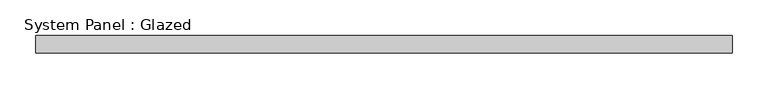
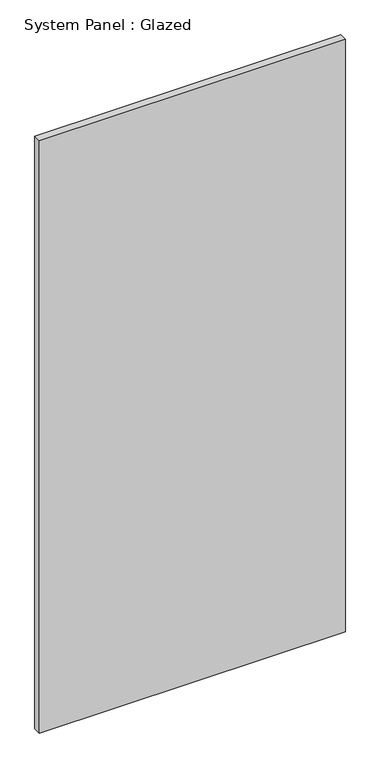
"""IFC4 building model written with IfcOpenShell, lengths in millimetres: plate geometry, System Panel : Glazed."""

from ifc_helpers import new_model, si_unit, origin, origin_with_axes, place, context, project, spatial, polyline, outline, extrude, source, transform, mapped, element, save


def system_panel_glazed_cc6f47f8(model_context):
    return source(origin(), model_context, "Body", "SweptSolid", [
        extrude(outline(polyline([(488.9118387, 24.5), (-488.9118387, 24.5), (-488.9118387, 49.5), (488.9118387, 49.5), (488.9118387, 24.5)])), origin_with_axes(), (0.0, 0.0, 1.0), 2000.0),
    ])


if __name__ == "__main__":
    model = new_model("IFC4")
    model_context = context("Model", 3, world=origin())
    ifc_project = project(units=[si_unit("LENGTHUNIT", "METRE", prefix="MILLI")], contexts=[model_context])
    site = spatial("IfcSite", under=ifc_project)
    building = spatial("IfcBuilding", under=site)
    placement = place(None, origin())
    system_panel_glazed_shape = system_panel_glazed_cc6f47f8(model_context)
    element("IfcPlate", 1, ObjectType="System Panel : Glazed", at=placement, inside=building, context=model_context, shape_type="MappedRepresentation", body=[
        mapped(system_panel_glazed_shape, transform((0.0, 0.0, 0.0), x_axis=(1.0, 0.0, 0.0), y_axis=(0.0, 1.0, 0.0), z_axis=(0.0, 0.0, 1.0))),
    ])
    save(model, "model.ifc")
